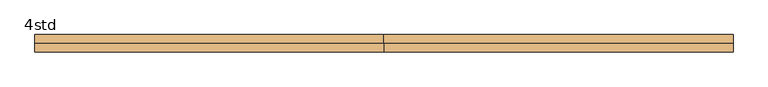
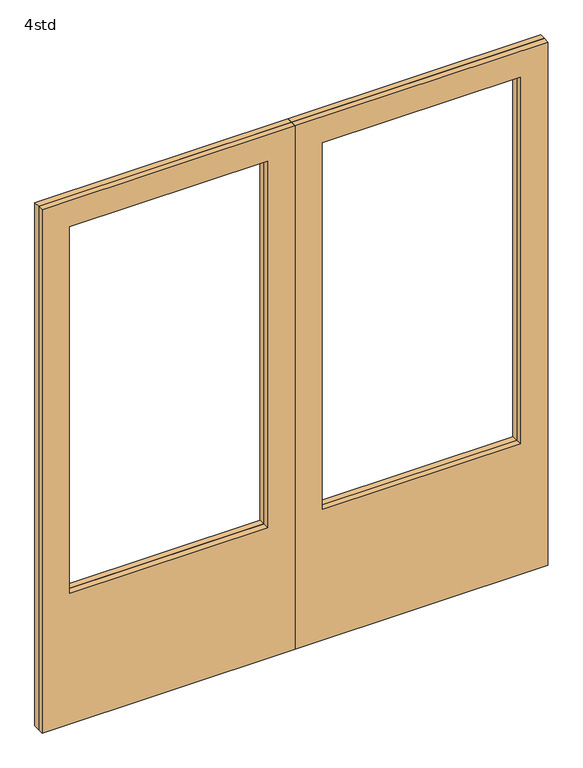
"""IFC4 building model written with IfcOpenShell, lengths in millimetres: door geometry, 4std."""

from ifc_helpers import new_model, si_unit, frame, origin, place, context, project, spatial, polyline, outline, extrude, source, transform, mapped, element, save


def door_4std_b4b826d9(model_context):
    return source(origin(), model_context, "Body", "SweptSolid", [
        extrude(outline(polyline([(2399.5, 0.0), (0.0, 0.0), (0.0, 1097.6666667), (2399.5, 1097.6666667), (2399.5, 0.0)]), holes=[polyline([(2279.5, 120.0), (2279.5, 977.6666667), (600.0, 977.6666667), (600.0, 120.0), (2279.5, 120.0)])]), frame((0.0, 57.0, 0.0), z_axis=(0.0, 1.0, 0.0), x_axis=(0.0, 0.0, 1.0)), (0.0, 0.0, 1.0), 27.0),
        extrude(outline(polyline([(2399.5, -1097.6666667), (0.0, -1097.6666667), (0.0, 0.0), (2399.5, 0.0), (2399.5, -1097.6666667)]), holes=[polyline([(2279.5, -977.6666667), (2279.5, -120.0), (600.0, -120.0), (600.0, -977.6666667), (2279.5, -977.6666667)])]), frame((0.0, 57.0, 0.0), z_axis=(0.0, 1.0, 0.0), x_axis=(0.0, 0.0, 1.0)), (0.0, 0.0, 1.0), 27.0),
        extrude(outline(polyline([(2399.5, -1097.6666667), (0.0, -1097.6666667), (0.0, 0.0), (2399.5, 0.0), (2399.5, -1097.6666667)]), holes=[polyline([(2279.5, -977.6666667), (2279.5, -120.0), (600.0, -120.0), (600.0, -977.6666667), (2279.5, -977.6666667)])]), frame((0.0, 30.0, 0.0), z_axis=(0.0, 1.0, 0.0), x_axis=(0.0, 0.0, 1.0)), (0.0, 0.0, 1.0), 27.0),
        extrude(outline(polyline([(2399.5, 0.0), (0.0, 0.0), (0.0, 1097.6666667), (2399.5, 1097.6666667), (2399.5, 0.0)]), holes=[polyline([(2279.5, 120.0), (2279.5, 977.6666667), (600.0, 977.6666667), (600.0, 120.0), (2279.5, 120.0)])]), frame((0.0, 30.0, 0.0), z_axis=(0.0, 1.0, 0.0), x_axis=(0.0, 0.0, 1.0)), (0.0, 0.0, 1.0), 27.0),
    ])


if __name__ == "__main__":
    model = new_model("IFC4")
    model_context = context("Model", 3, world=origin())
    ifc_project = project(units=[si_unit("LENGTHUNIT", "METRE", prefix="MILLI")], contexts=[model_context])
    site = spatial("IfcSite", under=ifc_project)
    building = spatial("IfcBuilding", under=site)
    placement = place(None, origin())
    door_4std_shape = door_4std_b4b826d9(model_context)
    element("IfcDoor", 1, ObjectType="4std", at=placement, inside=building, context=model_context, shape_type="MappedRepresentation", body=[
        mapped(door_4std_shape, transform((0.0, 0.0, 0.0), x_axis=(1.0, 0.0, 0.0), y_axis=(0.0, 1.0, 0.0), z_axis=(0.0, 0.0, 1.0))),
    ])
    save(model, "model.ifc")
